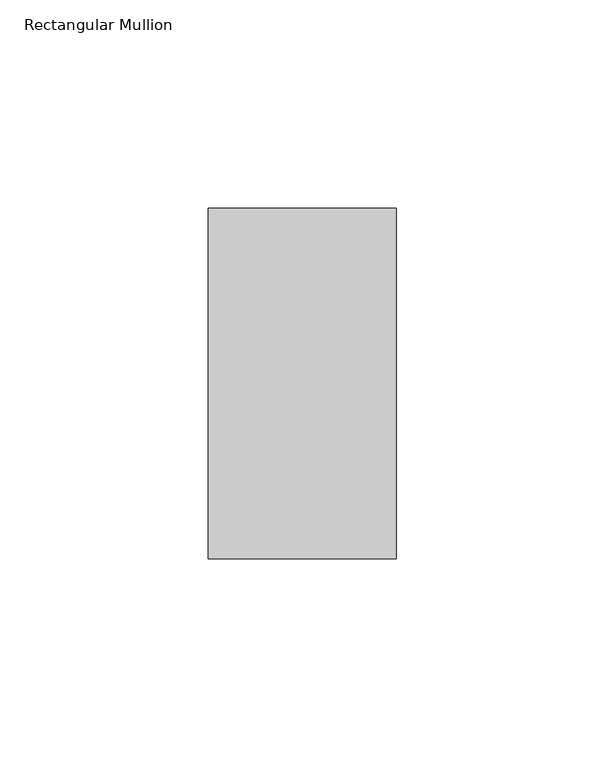
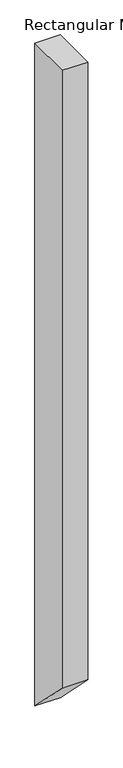
"""IFC4 building model written with IfcOpenShell, lengths in millimetres: member geometry, Rectangular Mullion."""

from ifc_helpers import new_model, si_unit, frame, origin, place, context, project, spatial, polyline, outline, extrude, source, transform, mapped, element, save


def rectangular_mullion_90b6c6e8(model_context):
    return source(origin(), model_context, "Body", "SweptSolid", [
        extrude(outline(polyline([(-42.0, 0.0), (42.0, 0.0), (42.0, -1242.0), (-42.0, -1158.0), (-42.0, 0.0)])), frame((-45.0, 0.0, 0.0), z_axis=(1.0, 0.0, 0.0), x_axis=(0.0, 1.0, 0.0)), (0.0, 0.0, 1.0), 45.0),
    ])


if __name__ == "__main__":
    model = new_model("IFC4")
    model_context = context("Model", 3, world=origin())
    ifc_project = project(units=[si_unit("LENGTHUNIT", "METRE", prefix="MILLI")], contexts=[model_context])
    site = spatial("IfcSite", under=ifc_project)
    building = spatial("IfcBuilding", under=site)
    placement = place(None, origin())
    rectangular_mullion_shape = rectangular_mullion_90b6c6e8(model_context)
    element("IfcMember", 1, ObjectType="Rectangular Mullion", at=placement, inside=building, context=model_context, shape_type="MappedRepresentation", body=[
        mapped(rectangular_mullion_shape, transform((0.0, 0.0, 0.0), x_axis=(1.0, 0.0, 0.0), y_axis=(0.0, 1.0, 0.0), z_axis=(0.0, 0.0, 1.0))),
    ])
    save(model, "model.ifc")
